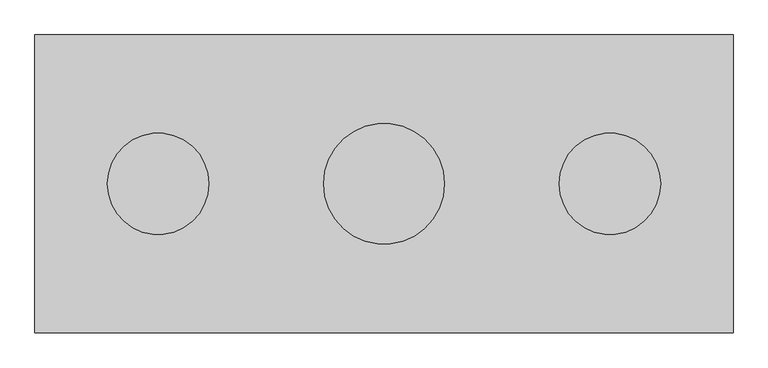
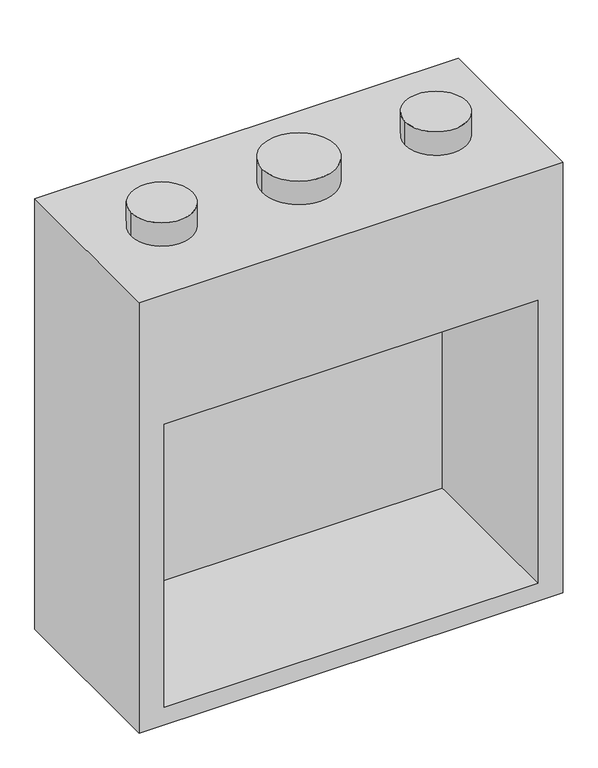
"""IFC4 building model written with IfcOpenShell, lengths in millimetres: proxy geometry."""

from ifc_helpers import new_model, si_unit, point, frame, frame_2d, origin, origin_2d, place, context, project, spatial, circle_curve, trimmed, segment, composite_curve, outline, extrude, faceted_brep, source, transform, mapped, element, save


def generic_models_b043e27a(model_context):
    return source(origin(), model_context, "Body", "SolidModel", [
        faceted_brep([(863.6, 368.3, 1854.2), (-863.6, 368.3, 1854.2), (-863.6, -368.3, 1854.2), (863.6, -368.3, 1854.2), (863.6, 368.3, 0.0), (863.6, -368.3, 0.0), (-863.6, -368.3, 0.0), (-863.6, 368.3, 0.0), (-762.0, -368.3, 1295.4), (762.0, -368.3, 1295.4), (762.0, -368.3, 76.2), (-762.0, -368.3, 76.2), (762.0, 307.149358, 1295.4), (-762.0, 307.149358, 1295.4), (-762.0, 307.149358, 76.2), (762.0, 307.149358, 76.2)], [[[0, 1, 2, 3]], [[4, 5, 6, 7]], [[1, 0, 4, 7]], [[2, 1, 7, 6]], [[3, 2, 6, 5], [8, 9, 10, 11]], [[0, 3, 5, 4]], [[12, 13, 14, 15]], [[13, 12, 9, 8]], [[14, 13, 8, 11]], [[15, 14, 11, 10]], [[12, 15, 10, 9]]]),
        extrude(outline(composite_curve([segment(trimmed(circle_curve(origin_2d(), 149.225), [point((-149.225, 0.0))], [point((149.225, 0.0))], False, "CARTESIAN"), True, "CONTINUOUS"), segment(trimmed(circle_curve(origin_2d(), 149.225), [point((149.225, 0.0))], [point((-149.225, 0.0))], False, "CARTESIAN"), True, "CONTINUOUS")], self_intersect=False)), frame((0.0, 0.0, 1854.2), z_axis=(0.0, 0.0, 1.0), x_axis=(1.0, 0.0, 0.0)), (0.0, 0.0, 1.0), 101.6),
        extrude(outline(composite_curve([segment(trimmed(circle_curve(frame_2d((-558.8, 0.0)), 125.4125), [point((-684.2125, 0.0))], [point((-433.3875, 0.0))], False, "CARTESIAN"), True, "CONTINUOUS"), segment(trimmed(circle_curve(frame_2d((-558.8, 0.0)), 125.4125), [point((-433.3875, 0.0))], [point((-684.2125, 0.0))], False, "CARTESIAN"), True, "CONTINUOUS")], self_intersect=False)), frame((0.0, 0.0, 1854.2), z_axis=(0.0, 0.0, 1.0), x_axis=(1.0, 0.0, 0.0)), (0.0, 0.0, 1.0), 101.6),
        extrude(outline(composite_curve([segment(trimmed(circle_curve(frame_2d((558.8, 0.0)), 125.4125), [point((433.3875, 0.0))], [point((684.2125, 0.0))], False, "CARTESIAN"), True, "CONTINUOUS"), segment(trimmed(circle_curve(frame_2d((558.8, 0.0)), 125.4125), [point((684.2125, 0.0))], [point((433.3875, 0.0))], False, "CARTESIAN"), True, "CONTINUOUS")], self_intersect=False)), frame((0.0, 0.0, 1854.2), z_axis=(0.0, 0.0, 1.0), x_axis=(1.0, 0.0, 0.0)), (0.0, 0.0, 1.0), 101.6),
    ])


if __name__ == "__main__":
    model = new_model("IFC4")
    model_context = context("Model", 3, world=origin())
    ifc_project = project(units=[si_unit("LENGTHUNIT", "METRE", prefix="MILLI")], contexts=[model_context])
    site = spatial("IfcSite", under=ifc_project)
    building = spatial("IfcBuilding", under=site)
    placement = place(None, origin())
    generic_models_shape = generic_models_b043e27a(model_context)
    element("IfcBuildingElementProxy", 1, Name="Generic Models", at=placement, inside=building, context=model_context, shape_type="MappedRepresentation", body=[
        mapped(generic_models_shape, transform((0.0, 0.0, 0.0), x_axis=(1.0, 0.0, 0.0), y_axis=(0.0, 1.0, 0.0), z_axis=(0.0, 0.0, 1.0))),
    ])
    save(model, "model.ifc")
